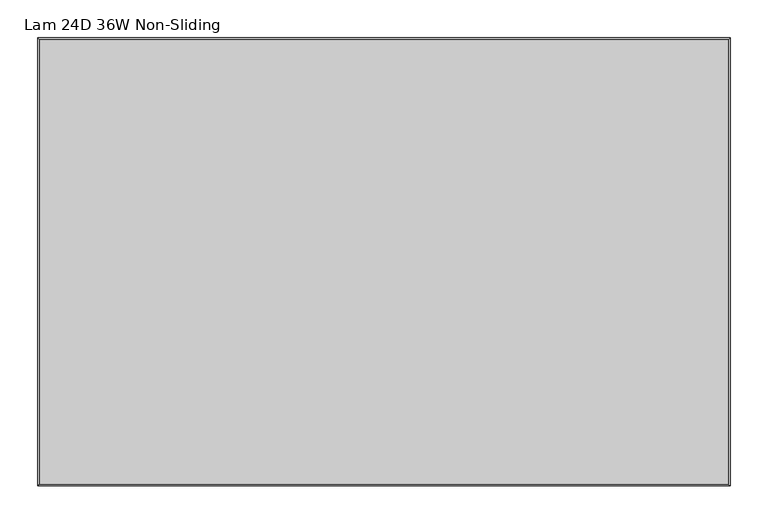
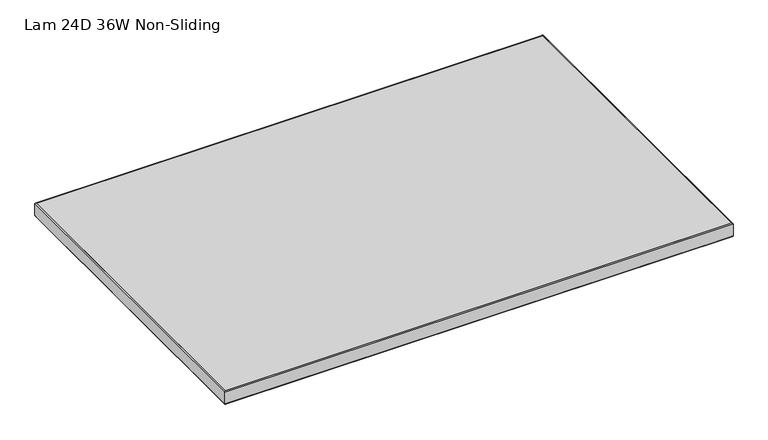
"""IFC4 building model written with IfcOpenShell, lengths in millimetres: furniture geometry, Lam 24D 36W Non-Sliding."""

from ifc_helpers import new_model, si_unit, frame, origin, place, context, project, spatial, polyline, ellipse_curve, outline, extrude, source, transform, mapped, element, save
from ifc_brep_helpers import plane_surface, cylinder_surface, advanced_brep


def lam_24d_36w_non_sliding_05136097(model_context):
    return source(origin(), model_context, "Body", "SolidModel", [
        advanced_brep(
        [(-610.0, 297.0, 723.9), (-610.0, 297.0, 698.5), (298.2758, 297.0, 698.5), (298.2758, 297.0, 723.9), (298.2758, -289.8388, 698.5), (298.2758, -289.8388, 723.9), (-610.0, -289.8388, 698.5), (-610.0, -289.8388, 723.9), (-611.6002, 298.6002, 700.1002), (-611.6002, 298.6002, 722.2998), (299.876, 298.6002, 722.2998), (299.876, 298.6002, 700.1002), (299.876, -291.439, 722.2998), (299.876, -291.439, 700.1002), (-611.6002, -291.439, 722.2998), (-611.6002, -291.439, 700.1002)],
        [
            (0, 1),
            (1, 2),
            (2, 3),
            (3, 0),
            (2, 4),
            (4, 5),
            (5, 3),
            (4, 6),
            (6, 7),
            (7, 5),
            (6, 1),
            (0, 7),
            (8, 9),
            (9, 10),
            (10, 11),
            (11, 8),
            (10, 12),
            (12, 13),
            (13, 11),
            (12, 14),
            (14, 15),
            (15, 13),
            (14, 9),
            (8, 15),
            (9, 0, ellipse_curve(frame((-610.0, 297.0, 722.2998), z_axis=(0.7071067811865475, 0.7071067811865475, 0.0), x_axis=(-0.7071067811865476, 0.7071067811865474, 0.0)), 2.2630245, 1.6002)),
            (3, 10, ellipse_curve(frame((298.2758, 297.0, 722.2998), z_axis=(-0.7071067811865475, 0.7071067811865475, 0.0), x_axis=(-0.7071067811865476, -0.7071067811865474, 0.0)), 2.2630245, 1.6002)),
            (1, 8, ellipse_curve(frame((-610.0, 297.0, 700.1002), z_axis=(0.7071067811865475, 0.7071067811865475, 0.0), x_axis=(-0.7071067811865476, 0.7071067811865474, 0.0)), 2.2630245, 1.6002)),
            (11, 2, ellipse_curve(frame((298.2758, 297.0, 700.1002), z_axis=(-0.7071067811865475, 0.7071067811865475, 0.0), x_axis=(-0.7071067811865476, -0.7071067811865474, 0.0)), 2.2630245, 1.6002)),
            (5, 12, ellipse_curve(frame((298.2758, -289.8388, 722.2998), z_axis=(0.7071067811865475, 0.7071067811865475, 0.0), x_axis=(-0.7071067811865474, 0.7071067811865476, 0.0)), 2.2630245, 1.6002)),
            (13, 4, ellipse_curve(frame((298.2758, -289.8388, 700.1002), z_axis=(0.7071067811865475, 0.7071067811865475, 0.0), x_axis=(-0.7071067811865474, 0.7071067811865476, 0.0)), 2.2630245, 1.6002)),
            (7, 14, ellipse_curve(frame((-610.0, -289.8388, 722.2998), z_axis=(0.7071067811865475, -0.7071067811865475, 0.0), x_axis=(0.7071067811865476, 0.7071067811865474, 0.0)), 2.2630245, 1.6002)),
            (15, 6, ellipse_curve(frame((-610.0, -289.8388, 700.1002), z_axis=(0.7071067811865475, -0.7071067811865475, 0.0), x_axis=(0.7071067811865476, 0.7071067811865474, 0.0)), 2.2630245, 1.6002)),
        ],
        [
            plane_surface(frame((-610.0, 297.0, 698.5), z_axis=(0.0, -1.0, 0.0), x_axis=(1.0, 0.0, 0.0))),
            plane_surface(frame((298.2758, 297.0, 698.5), z_axis=(-1.0, 0.0, 0.0), x_axis=(0.0, -1.0, 0.0))),
            plane_surface(frame((298.2758, -289.8388, 698.5), z_axis=(0.0, 1.0, 0.0), x_axis=(-1.0, 0.0, 0.0))),
            plane_surface(frame((-610.0, -289.8388, 698.5), z_axis=(1.0, 0.0, 0.0), x_axis=(0.0, 1.0, 0.0))),
            plane_surface(frame((-611.6002, 298.6002, 722.2998), z_axis=(0.0, 1.0, 0.0), x_axis=(1.0, 0.0, 0.0))),
            plane_surface(frame((299.876, 298.6002, 722.2998), z_axis=(1.0, 0.0, 0.0), x_axis=(0.0, -1.0, 0.0))),
            plane_surface(frame((299.876, -291.439, 722.2998), z_axis=(0.0, -1.0, 0.0), x_axis=(-1.0, 0.0, 0.0))),
            plane_surface(frame((-611.6002, -291.439, 722.2998), z_axis=(-1.0, 0.0, 0.0), x_axis=(0.0, 1.0, 0.0))),
            cylinder_surface(frame((-610.0, 297.0, 722.2998), z_axis=(-1.0, 0.0, 0.0), x_axis=(0.0, -1.0, 0.0)), 1.6002),
            cylinder_surface(frame((-610.0, 297.0, 700.1002), z_axis=(-1.0, 0.0, 0.0), x_axis=(0.0, -1.0, 0.0)), 1.6002),
            cylinder_surface(frame((298.2758, 297.0, 722.2998), z_axis=(0.0, 1.0, 0.0), x_axis=(-1.0, 0.0, 0.0)), 1.6002),
            cylinder_surface(frame((298.2758, 297.0, 700.1002), z_axis=(0.0, 1.0, 0.0), x_axis=(-1.0, 0.0, 0.0)), 1.6002),
            cylinder_surface(frame((298.2758, -289.8388, 722.2998), z_axis=(1.0, 0.0, 0.0), x_axis=(0.0, 1.0, 0.0)), 1.6002),
            cylinder_surface(frame((298.2758, -289.8388, 700.1002), z_axis=(1.0, 0.0, 0.0), x_axis=(0.0, 1.0, 0.0)), 1.6002),
            cylinder_surface(frame((-610.0, -289.8388, 722.2998), z_axis=(0.0, -1.0, 0.0), x_axis=(1.0, 0.0, 0.0)), 1.6002),
            cylinder_surface(frame((-610.0, -289.8388, 700.1002), z_axis=(0.0, -1.0, 0.0), x_axis=(1.0, 0.0, 0.0)), 1.6002),
        ],
        [
            (0, [[1, 2, 3, 4]]),
            (1, [[-3, 5, 6, 7]]),
            (2, [[-6, 8, 9, 10]]),
            (3, [[-9, 11, -1, 12]]),
            (4, [[13, 14, 15, 16]]),
            (5, [[-15, 17, 18, 19]]),
            (6, [[-18, 20, 21, 22]]),
            (7, [[-21, 23, -13, 24]]),
            (8, [[25, -4, 26, -14]]),
            (9, [[27, -16, 28, -2]]),
            (10, [[-26, -7, 29, -17]]),
            (11, [[-28, -19, 30, -5]]),
            (12, [[-29, -10, 31, -20]]),
            (13, [[-30, -22, 32, -8]]),
            (14, [[-31, -12, -25, -23]]),
            (15, [[-32, -24, -27, -11]]),
        ],
    ),
        extrude(outline(polyline([(298.2758, 297.0), (298.2758, -289.8388), (-610.0, -289.8388), (-610.0, 297.0), (298.2758, 297.0)])), frame((0.0, 0.0, 698.5), z_axis=(0.0, 0.0, 1.0), x_axis=(1.0, 0.0, 0.0)), (0.0, 0.0, 1.0), 25.4),
    ])


if __name__ == "__main__":
    model = new_model("IFC4")
    model_context = context("Model", 3, world=origin())
    ifc_project = project(units=[si_unit("LENGTHUNIT", "METRE", prefix="MILLI")], contexts=[model_context])
    site = spatial("IfcSite", under=ifc_project)
    building = spatial("IfcBuilding", under=site)
    placement = place(None, origin())
    lam_24d_36w_non_sliding_shape = lam_24d_36w_non_sliding_05136097(model_context)
    element("IfcFurniture", 1, ObjectType="Lam 24D 36W Non-Sliding", at=placement, inside=building, context=model_context, shape_type="MappedRepresentation", body=[
        mapped(lam_24d_36w_non_sliding_shape, transform((0.0, 0.0, 0.0), x_axis=(1.0, 0.0, 0.0), y_axis=(0.0, 1.0, 0.0), z_axis=(0.0, 0.0, 1.0))),
    ])
    save(model, "model.ifc")
